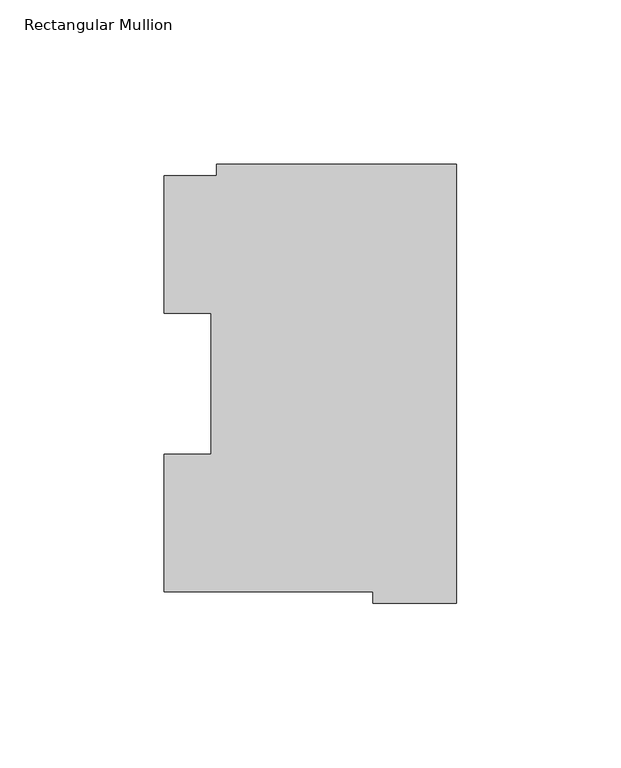
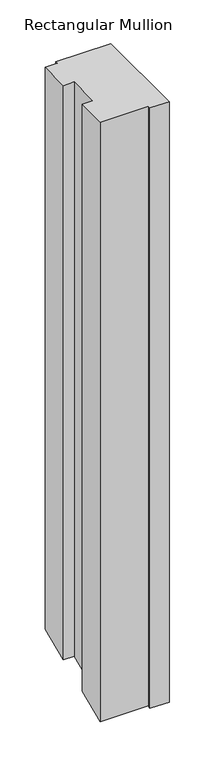
"""IFC4 building model written with IfcOpenShell, lengths in millimetres: member geometry, Rectangular Mullion."""

from ifc_helpers import new_model, si_unit, origin, place, context, project, spatial, faceted_brep, source, transform, mapped, element, save


def rectangular_mullion_21ae365a(model_context):
    return source(origin(), model_context, "Body", "Brep", [
        faceted_brep([(-88.8772701, 126.75235, 0.0), (-88.8772701, 84.93125, 0.0), (-74.5947228, 84.93125, 0.0), (-74.5947228, 42.0334858, 0.0), (-88.8772701, 42.0334858, 0.0), (-88.8772701, 0.26035, 0.0), (-25.3772701, 0.26035, 0.0), (-25.3772701, -3.193538, 0.0), (0.0, -3.193538, 0.0), (0.0, 130.1706837, 0.0), (-73.025, 130.1706837, 0.0), (-73.025, 126.75235, 0.0), (-88.8772701, 126.75235, -785.6657076), (-88.8772701, 84.93125, -802.9885744), (-74.5947228, 84.93125, -802.9885744), (-74.5947228, 42.0334858, -820.7574101), (-88.8772701, 42.0334858, -820.7574101), (-88.8772701, 0.26035, -838.0604095), (-25.3772701, 0.26035, -838.0604095), (-25.3772701, -3.193538, -839.4910568), (0.0, -3.193538, -839.4910568), (0.0, 130.1706837, -784.2497874), (-73.025, 130.1706837, -784.2497874), (-73.025, 126.75235, -785.6657076)], [[[0, 1, 2, 3, 4, 5, 6, 7, 8, 9, 10, 11]], [[1, 0, 12, 13]], [[2, 1, 13, 14]], [[3, 2, 14, 15]], [[4, 3, 15, 16]], [[5, 4, 16, 17]], [[6, 5, 17, 18]], [[7, 6, 18, 19]], [[8, 7, 19, 20]], [[9, 8, 20, 21]], [[10, 9, 21, 22]], [[11, 10, 22, 23]], [[0, 11, 23, 12]], [[12, 23, 22, 21, 20, 19, 18, 17, 16, 15, 14, 13]]]),
    ])


if __name__ == "__main__":
    model = new_model("IFC4")
    model_context = context("Model", 3, world=origin())
    ifc_project = project(units=[si_unit("LENGTHUNIT", "METRE", prefix="MILLI")], contexts=[model_context])
    site = spatial("IfcSite", under=ifc_project)
    building = spatial("IfcBuilding", under=site)
    placement = place(None, origin())
    rectangular_mullion_shape = rectangular_mullion_21ae365a(model_context)
    element("IfcMember", 1, ObjectType="Rectangular Mullion", at=placement, inside=building, context=model_context, shape_type="MappedRepresentation", body=[
        mapped(rectangular_mullion_shape, transform((0.0, 0.0, 0.0), x_axis=(1.0, 0.0, 0.0), y_axis=(0.0, 1.0, 0.0), z_axis=(0.0, 0.0, 1.0))),
    ])
    save(model, "model.ifc")
